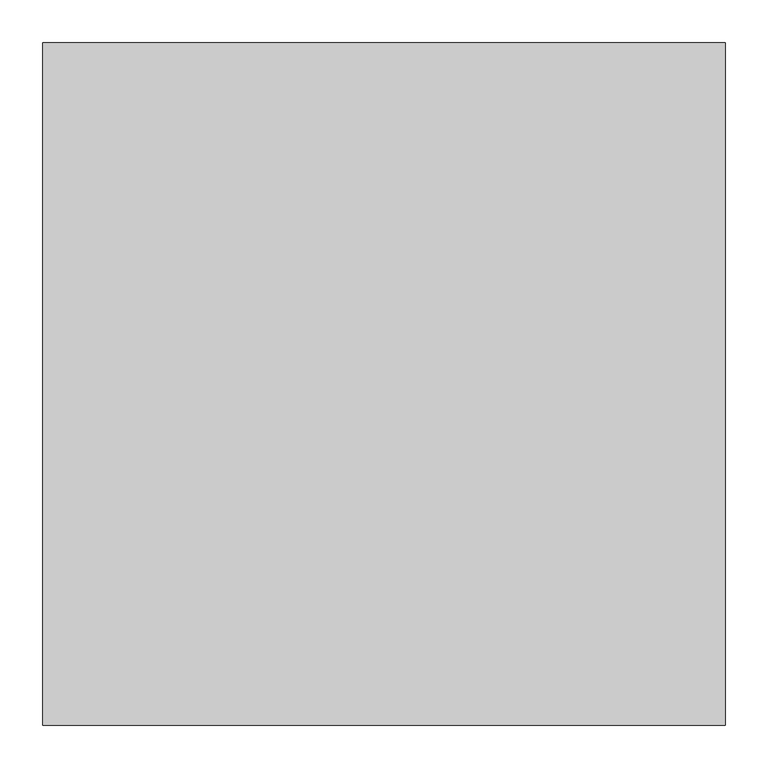
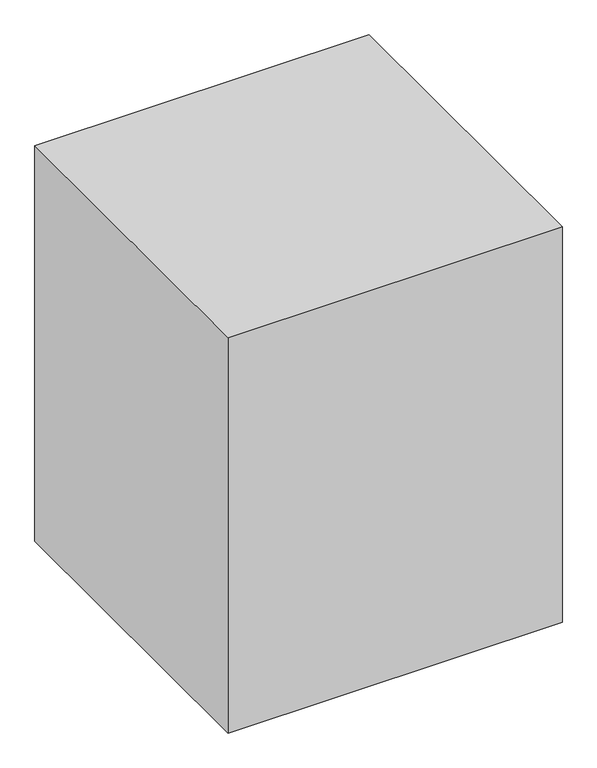
"""IFC4 building model written with IfcOpenShell, lengths in millimetres: proxy geometry."""

from ifc_helpers import new_model, si_unit, frame, origin, place, context, project, spatial, polyline, outline, extrude, source, transform, mapped, element, save


def generic_models_1216665a(model_context):
    return source(origin(), model_context, "Body", "SweptSolid", [
        extrude(outline(polyline([(800.0, 800.0), (800.0, 0.0), (0.0, 0.0), (0.0, 800.0), (800.0, 800.0)])), frame((0.0, 0.0, 1600.0), z_axis=(0.0, 0.0, 1.0), x_axis=(1.0, 0.0, 0.0)), (0.0, 0.0, 1.0), 1000.0),
    ])


if __name__ == "__main__":
    model = new_model("IFC4")
    model_context = context("Model", 3, world=origin())
    ifc_project = project(units=[si_unit("LENGTHUNIT", "METRE", prefix="MILLI")], contexts=[model_context])
    site = spatial("IfcSite", under=ifc_project)
    building = spatial("IfcBuilding", under=site)
    placement = place(None, origin())
    generic_models_shape = generic_models_1216665a(model_context)
    element("IfcBuildingElementProxy", 1, Name="Generic Models", at=placement, inside=building, context=model_context, shape_type="MappedRepresentation", body=[
        mapped(generic_models_shape, transform((0.0, 0.0, 0.0), x_axis=(1.0, 0.0, 0.0), y_axis=(0.0, 1.0, 0.0), z_axis=(0.0, 0.0, 1.0))),
    ])
    save(model, "model.ifc")
